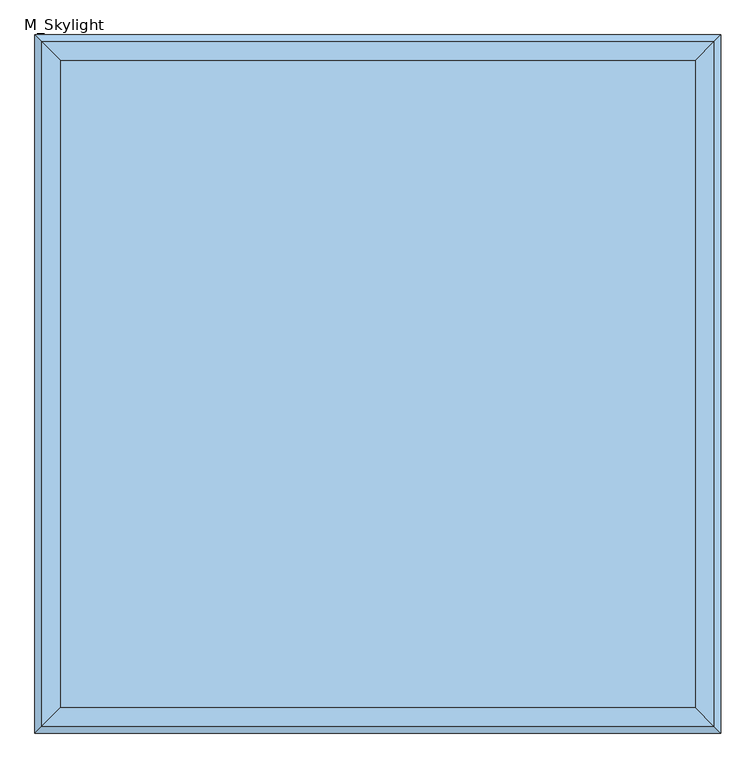
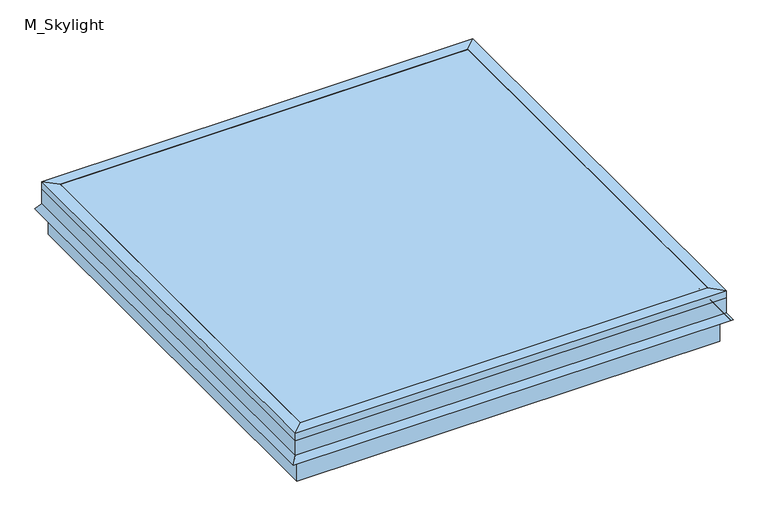
"""IFC4 building model written with IfcOpenShell, lengths in millimetres: window geometry, M_Skylight."""

from ifc_helpers import new_model, si_unit, frame, origin, place, context, project, spatial, polyline, outline, extrude, faceted_brep, source, transform, mapped, element, save


def m_skylight_0d965f5e(model_context):
    return source(origin(), model_context, "Body", "SolidModel", [
        faceted_brep([(254.440073, 370.1040988, 4105.0), (279.840073, 395.5040988, 4105.0), (279.840073, -1012.4959012, 4105.0), (254.440073, -987.0959012, 4105.0), (254.440073, 370.1040988, 4130.4), (254.440073, -987.0959012, 4130.4), (292.540073, 408.2040988, 4130.4), (292.540073, -1025.1959012, 4130.4), (292.540073, 408.2040988, 4105.0), (292.540073, -1025.1959012, 4105.0), (292.540073, 408.2040988, 4054.2), (292.540073, -1025.1959012, 4054.2), (307.1089145, 422.7729403, 4033.3935381), (307.1089145, -1039.7647427, 4033.3935381), (301.907299, 417.5713248, 4029.7513277), (301.907299, -1034.5631272, 4029.7513277), (286.190073, 401.8540988, 4052.1978527), (286.190073, -1018.8459012, 4052.1978527), (286.190073, 401.8540988, 4105.0), (286.190073, -1018.8459012, 4105.0), (-1102.159927, -1012.4959012, 4105.0), (-1076.759927, -987.0959012, 4105.0), (-1076.759927, -987.0959012, 4130.4), (-1114.859927, -1025.1959012, 4130.4), (-1114.859927, -1025.1959012, 4105.0), (-1114.859927, -1025.1959012, 4054.2), (-1129.4287685, -1039.7647427, 4033.3935381), (-1124.227153, -1034.5631272, 4029.7513277), (-1108.509927, -1018.8459012, 4052.1978527), (-1108.509927, -1018.8459012, 4105.0), (-1102.159927, 395.5040988, 4105.0), (-1076.759927, 370.1040988, 4105.0), (-1076.759927, 370.1040988, 4130.4), (-1114.859927, 408.2040988, 4130.4), (-1114.859927, 408.2040988, 4105.0), (-1114.859927, 408.2040988, 4054.2), (-1129.4287685, 422.7729403, 4033.3935381), (-1124.227153, 417.5713248, 4029.7513277), (-1108.509927, 401.8540988, 4052.1978527), (-1108.509927, 401.8540988, 4105.0)], [[[0, 1, 2, 3]], [[4, 0, 3, 5]], [[6, 4, 5, 7]], [[8, 6, 7, 9]], [[10, 8, 9, 11]], [[12, 10, 11, 13]], [[14, 12, 13, 15]], [[16, 14, 15, 17]], [[18, 16, 17, 19]], [[1, 18, 19, 2]], [[3, 2, 20, 21]], [[5, 3, 21, 22]], [[7, 5, 22, 23]], [[9, 7, 23, 24]], [[11, 9, 24, 25]], [[13, 11, 25, 26]], [[15, 13, 26, 27]], [[17, 15, 27, 28]], [[19, 17, 28, 29]], [[2, 19, 29, 20]], [[21, 20, 30, 31]], [[22, 21, 31, 32]], [[23, 22, 32, 33]], [[24, 23, 33, 34]], [[25, 24, 34, 35]], [[26, 25, 35, 36]], [[27, 26, 36, 37]], [[28, 27, 37, 38]], [[29, 28, 38, 39]], [[20, 29, 39, 30]], [[31, 30, 1, 0]], [[32, 31, 0, 4]], [[33, 32, 4, 6]], [[34, 33, 6, 8]], [[35, 34, 8, 10]], [[36, 35, 10, 12]], [[37, 36, 12, 14]], [[38, 37, 14, 16]], [[39, 38, 16, 18]], [[30, 39, 18, 1]]]),
        faceted_brep([(279.840073, -1012.4959012, 4105.0), (279.840073, -1012.4959012, 3952.6), (279.840073, 395.5040988, 3952.6), (279.840073, 395.5040988, 4105.0), (254.440073, -987.0959012, 4105.0), (254.440073, 370.1040988, 4105.0), (254.440073, -987.0959012, 4079.6), (254.440073, 370.1040988, 4079.6), (235.390073, -968.0459012, 4079.6), (235.390073, 351.0540988, 4079.6), (235.390073, -968.0459012, 3952.6), (235.390073, 351.0540988, 3952.6), (-1102.159927, 395.5040988, 3952.6), (-1102.159927, 395.5040988, 4105.0), (-1076.759927, 370.1040988, 4105.0), (-1076.759927, 370.1040988, 4079.6), (-1057.709927, 351.0540988, 4079.6), (-1057.709927, 351.0540988, 3952.6), (-1102.159927, -1012.4959012, 3952.6), (-1102.159927, -1012.4959012, 4105.0), (-1076.759927, -987.0959012, 4105.0), (-1076.759927, -987.0959012, 4079.6), (-1057.709927, -968.0459012, 4079.6), (-1057.709927, -968.0459012, 3952.6)], [[[0, 1, 2, 3]], [[4, 0, 3, 5]], [[6, 4, 5, 7]], [[8, 6, 7, 9]], [[10, 8, 9, 11]], [[1, 10, 11, 2]], [[3, 2, 12, 13]], [[5, 3, 13, 14]], [[7, 5, 14, 15]], [[9, 7, 15, 16]], [[11, 9, 16, 17]], [[2, 11, 17, 12]], [[13, 12, 18, 19]], [[14, 13, 19, 20]], [[15, 14, 20, 21]], [[16, 15, 21, 22]], [[17, 16, 22, 23]], [[12, 17, 23, 18]], [[19, 18, 1, 0]], [[20, 19, 0, 4]], [[21, 20, 4, 6]], [[22, 21, 6, 8]], [[23, 22, 8, 10]], [[18, 23, 10, 1]]]),
        extrude(outline(polyline([(254.440073, -987.0959012), (-1076.759927, -987.0959012), (-1076.759927, 370.1040988), (254.440073, 370.1040988), (254.440073, -987.0959012)])), frame((0.0, 0.0, 4124.05), z_axis=(0.0, 0.0, 1.0), x_axis=(1.0, 0.0, 0.0)), (0.0, 0.0, 1.0), 6.35),
    ])


if __name__ == "__main__":
    model = new_model("IFC4")
    model_context = context("Model", 3, world=origin())
    ifc_project = project(units=[si_unit("LENGTHUNIT", "METRE", prefix="MILLI")], contexts=[model_context])
    site = spatial("IfcSite", under=ifc_project)
    building = spatial("IfcBuilding", under=site)
    placement = place(None, origin())
    m_skylight_shape = m_skylight_0d965f5e(model_context)
    element("IfcWindow", 1, ObjectType="M_Skylight", at=placement, inside=building, context=model_context, shape_type="MappedRepresentation", body=[
        mapped(m_skylight_shape, transform((0.0, 0.0, 0.0), x_axis=(1.0, 0.0, 0.0), y_axis=(0.0, 1.0, 0.0), z_axis=(0.0, 0.0, 1.0))),
    ])
    save(model, "model.ifc")
